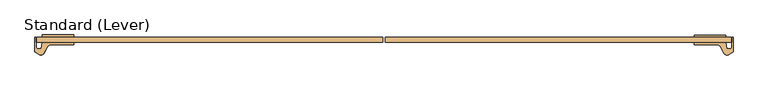
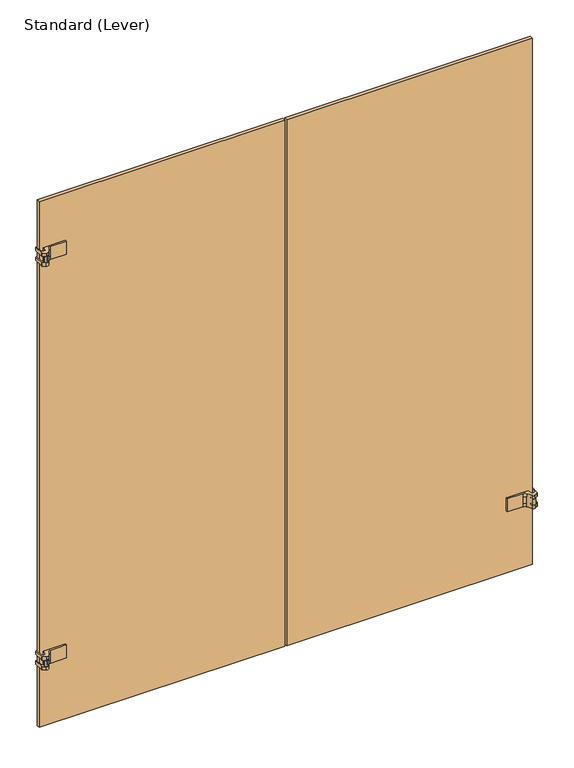
"""IFC4 building model written with IfcOpenShell, lengths in millimetres: door geometry, Standard (Lever)."""

from ifc_helpers import new_model, si_unit, frame, origin, place, context, project, spatial, polyline, circle_curve, outline, extrude, source, transform, mapped, element, save
from ifc_brep_helpers import plane_surface, cylinder_surface, revolved_surface, advanced_brep


def standard_lever_243bb52e(model_context):
    return source(origin(), model_context, "Body", "SolidModel", [
        advanced_brep(
        [(-1492.8453125, -23.0182831, 1879.6), (-1502.537, -23.0182831, 1879.6), (-1505.712, -19.8432831, 1879.6), (-1505.712, -6.710628, 1879.6), (-1507.71225, -5.5557831, 1879.6), (-1507.71225, 7.1442169, 1879.6), (-1509.7125, 7.1442169, 1879.6), (-1509.7125, -29.122696, 1879.6), (-1508.125, -31.8723266, 1879.6), (-1497.80625, -37.8298597, 1879.6), (-1486.9634234, -34.9245331, 1879.6), (-1477.3399856, -18.25625, 1879.6), (-1466.341463, -11.90625, 1879.6), (-1408.1125, -11.90625, 1879.6), (-1408.1125, -5.55625, 1879.6), (-1490.6625584, -5.55625, 1879.6), (-1492.8529743, -23.0795774, 1866.9), (-1486.9634234, -34.9245331, 1866.9), (-1497.80625, -37.8298597, 1866.9), (-1508.125, -31.8723266, 1866.9), (-1509.7125, -29.122696, 1866.9), (-1509.7125, 7.1442169, 1866.9), (-1507.71225, 7.1442169, 1866.9), (-1507.71225, -5.5557831, 1866.9), (-1505.712, -6.710628, 1866.9), (-1505.712, -19.8432831, 1866.9), (-1502.537, -23.0182831, 1866.9), (-1490.6625584, -5.55625, 1828.8), (-1492.8453125, -23.0182831, 1828.8), (-1492.8453125, -23.0182831, 1841.5), (-1492.8529743, -23.0795774, 1843.0875), (-1492.8529743, -23.0795774, 1865.3125), (-1408.1125, -5.55625, 1828.8), (-1408.1125, -11.90625, 1828.8), (-1466.341463, -11.90625, 1866.9), (-1466.341463, -11.90625, 1841.5), (-1466.341463, -11.90625, 1828.8), (-1477.3399856, -18.25625, 1866.9), (-1486.9634234, -34.9245331, 1865.3125), (-1486.9634234, -34.9245331, 1843.0875), (-1486.9634234, -34.9245331, 1841.5), (-1486.9634234, -34.9245331, 1828.8), (-1477.3399856, -18.25625, 1828.8), (-1477.3399856, -18.25625, 1841.5), (-1485.9, -30.9557831, 1865.3125), (-1485.9, -30.9557831, 1843.0875), (-1502.537, -23.0182831, 1841.5), (-1505.712, -19.8432831, 1841.5), (-1505.712, -6.710628, 1841.5), (-1507.71225, -5.5557831, 1841.5), (-1507.71225, 7.1442169, 1841.5), (-1509.7125, 7.1442169, 1841.5), (-1509.7125, -29.122696, 1841.5), (-1508.125, -31.8723266, 1841.5), (-1497.80625, -37.8298597, 1841.5), (-1497.80625, -37.8298597, 1828.8), (-1508.125, -31.8723266, 1828.8), (-1509.7125, -29.122696, 1828.8), (-1509.7125, 7.1442169, 1828.8), (-1507.71225, 7.1442169, 1828.8), (-1507.71225, -5.5557831, 1828.8), (-1505.712, -6.710628, 1828.8), (-1505.712, -19.8432831, 1828.8), (-1502.537, -23.0182831, 1828.8), (-1501.775, -30.9557831, 1865.3125), (-1497.0125, -30.9557831, 1865.3125), (-1490.6625, -30.9557831, 1865.3125), (-1501.775, -30.9557831, 1843.0875), (-1497.0125, -30.9557831, 1843.0875), (-1490.6625, -30.9557831, 1843.0875)],
        [
            (0, 1),
            (1, 2, circle_curve(frame((-1502.537, -19.8432831, 1879.6), z_axis=(0.0, 0.0, -1.0), x_axis=(-1.0, 0.0, 0.0)), 3.175)),
            (2, 3),
            (3, 4),
            (4, 5),
            (5, 6),
            (6, 7),
            (7, 8, circle_curve(frame((-1506.5375, -29.122696, 1879.6), z_axis=(0.0, 0.0, 1.0), x_axis=(-0.5000000000000575, -0.8660254037844055, 0.0)), 3.175)),
            (8, 9),
            (9, 10, circle_curve(frame((-1493.8375, -30.9557831, 1879.6), z_axis=(0.0, 0.0, 1.0), x_axis=(0.0, 1.0, 0.0)), 7.9375)),
            (10, 11),
            (11, 12, circle_curve(frame((-1466.341463, -24.60625, 1879.6), z_axis=(0.0, 0.0, -1.0), x_axis=(0.0, 1.0, 0.0)), 12.7)),
            (12, 13),
            (13, 14),
            (14, 15),
            (15, 0),
            (16, 17, circle_curve(frame((-1493.8375, -30.9557831, 1866.9), z_axis=(0.0, 0.0, -1.0), x_axis=(0.0, 1.0, 0.0)), 7.9375)),
            (17, 18, circle_curve(frame((-1493.8375, -30.9557831, 1866.9), z_axis=(0.0, 0.0, -1.0), x_axis=(0.0, 1.0, 0.0)), 7.9375)),
            (18, 19),
            (19, 20, circle_curve(frame((-1506.5375, -29.122696, 1866.9), z_axis=(0.0, 0.0, -1.0), x_axis=(-0.5000000000000575, -0.8660254037844055, 0.0)), 3.175)),
            (20, 21),
            (21, 22),
            (22, 23),
            (23, 24),
            (24, 25),
            (25, 26, circle_curve(frame((-1502.537, -19.8432831, 1866.9), z_axis=(0.0, 0.0, 1.0), x_axis=(-1.0, 0.0, 0.0)), 3.175)),
            (26, 16),
            (8, 19),
            (18, 9),
            (7, 20),
            (6, 21),
            (5, 22),
            (4, 23),
            (3, 24),
            (2, 25),
            (1, 26),
            (0, 16),
            (15, 27),
            (27, 28),
            (28, 29),
            (29, 30),
            (30, 31),
            (31, 16),
            (14, 32),
            (32, 27),
            (13, 33),
            (33, 32),
            (12, 34),
            (34, 35),
            (35, 36),
            (36, 33),
            (11, 37),
            (37, 34, circle_curve(frame((-1466.341463, -24.60625, 1866.9), z_axis=(0.0, 0.0, -1.0), x_axis=(0.0, 1.0, 0.0)), 12.7)),
            (10, 17),
            (17, 38),
            (38, 39),
            (39, 40),
            (40, 41),
            (41, 42),
            (42, 43),
            (43, 37),
            (43, 35, circle_curve(frame((-1466.341463, -24.60625, 1841.5), z_axis=(0.0, 0.0, -1.0), x_axis=(0.0, 1.0, 0.0)), 12.7)),
            (31, 44, circle_curve(frame((-1493.8375, -30.9557831, 1865.3125), z_axis=(0.0, 0.0, -1.0), x_axis=(0.0, 1.0, 0.0)), 7.9375)),
            (44, 38, circle_curve(frame((-1493.8375, -30.9557831, 1865.3125), z_axis=(0.0, 0.0, -1.0), x_axis=(0.0, 1.0, 0.0)), 7.9375)),
            (39, 45, circle_curve(frame((-1493.8375, -30.9557831, 1843.0875), z_axis=(0.0, 0.0, 1.0), x_axis=(0.0, 1.0, 0.0)), 7.9375)),
            (45, 30, circle_curve(frame((-1493.8375, -30.9557831, 1843.0875), z_axis=(0.0, 0.0, 1.0), x_axis=(0.0, 1.0, 0.0)), 7.9375)),
            (29, 40, circle_curve(frame((-1493.8375, -30.9557831, 1841.5), z_axis=(0.0, 0.0, -1.0), x_axis=(0.0, 1.0, 0.0)), 7.9375)),
            (29, 46),
            (46, 47, circle_curve(frame((-1502.537, -19.8432831, 1841.5), z_axis=(0.0, 0.0, -1.0), x_axis=(-1.0, 0.0, 0.0)), 3.175)),
            (47, 48),
            (48, 49),
            (49, 50),
            (50, 51),
            (51, 52),
            (52, 53, circle_curve(frame((-1506.5375, -29.122696, 1841.5), z_axis=(0.0, 0.0, 1.0), x_axis=(-0.5000000000000575, -0.8660254037844055, 0.0)), 3.175)),
            (53, 54),
            (54, 40, circle_curve(frame((-1493.8375, -30.9557831, 1841.5), z_axis=(0.0, 0.0, 1.0), x_axis=(0.0, 1.0, 0.0)), 7.9375)),
            (36, 42, circle_curve(frame((-1466.341463, -24.60625, 1828.8), z_axis=(0.0, 0.0, 1.0), x_axis=(0.0, 1.0, 0.0)), 12.7)),
            (41, 55, circle_curve(frame((-1493.8375, -30.9557831, 1828.8), z_axis=(0.0, 0.0, -1.0), x_axis=(0.0, 1.0, 0.0)), 7.9375)),
            (55, 56),
            (56, 57, circle_curve(frame((-1506.5375, -29.122696, 1828.8), z_axis=(0.0, 0.0, -1.0), x_axis=(-0.5000000000000575, -0.8660254037844055, 0.0)), 3.175)),
            (57, 58),
            (58, 59),
            (59, 60),
            (60, 61),
            (61, 62),
            (62, 63, circle_curve(frame((-1502.537, -19.8432831, 1828.8), z_axis=(0.0, 0.0, 1.0), x_axis=(-1.0, 0.0, 0.0)), 3.175)),
            (63, 28),
            (54, 55),
            (53, 56),
            (52, 57),
            (51, 58),
            (50, 59),
            (49, 60),
            (48, 61),
            (47, 62),
            (46, 63),
            (64, 38, circle_curve(frame((-1493.8375, -30.9557831, 1865.3125), z_axis=(0.0, 0.0, 1.0), x_axis=(1.0, 0.0, 0.0)), 7.9375)),
            (31, 64, circle_curve(frame((-1493.8375, -30.9557831, 1865.3125), z_axis=(0.0, 0.0, 1.0), x_axis=(1.0, 0.0, 0.0)), 7.9375)),
            (65, 66, circle_curve(frame((-1493.8375, -30.9557831, 1865.3125), z_axis=(0.0, 0.0, -1.0), x_axis=(1.0, 0.0, 0.0)), 3.175)),
            (66, 65, circle_curve(frame((-1493.8375, -30.9557831, 1865.3125), z_axis=(0.0, 0.0, -1.0), x_axis=(1.0, 0.0, 0.0)), 3.175)),
            (39, 67, circle_curve(frame((-1493.8375, -30.9557831, 1843.0875), z_axis=(0.0, 0.0, -1.0), x_axis=(1.0, 0.0, 0.0)), 7.9375)),
            (67, 30, circle_curve(frame((-1493.8375, -30.9557831, 1843.0875), z_axis=(0.0, 0.0, -1.0), x_axis=(1.0, 0.0, 0.0)), 7.9375)),
            (68, 69, circle_curve(frame((-1493.8375, -30.9557831, 1843.0875), z_axis=(0.0, 0.0, 1.0), x_axis=(1.0, 0.0, 0.0)), 3.175)),
            (69, 68, circle_curve(frame((-1493.8375, -30.9557831, 1843.0875), z_axis=(0.0, 0.0, 1.0), x_axis=(1.0, 0.0, 0.0)), 3.175)),
            (66, 69),
            (68, 65),
            (67, 64),
        ],
        [
            plane_surface(frame((-1492.8453125, -23.0182831, 1879.6), z_axis=(0.0, 0.0, 1.0), x_axis=(0.12403473458190235, 0.9922778767145809, 0.0))),
            plane_surface(frame((-1492.8453125, -23.0182831, 1866.9), z_axis=(0.0, 0.0, -1.0), x_axis=(-0.12403473458190235, -0.9922778767145809, 0.0))),
            plane_surface(frame((-1497.80625, -37.8298597, 1879.6), z_axis=(-0.5000000000001321, -0.8660254037843624, 0.0), x_axis=(0.0, 0.0, -1.0))),
            cylinder_surface(frame((-1506.5375, -29.122696, 1866.9), z_axis=(0.0, 0.0, 1.0), x_axis=(-0.5000000000000575, -0.8660254037844055, 0.0)), 3.175),
            plane_surface(frame((-1509.7125, -29.122696, 1879.6), z_axis=(-1.0, 0.0, 0.0), x_axis=(0.0, 0.0, -1.0))),
            plane_surface(frame((-1509.7125, 7.1442169, 1879.6), z_axis=(0.0, 1.0, 0.0), x_axis=(0.0, 0.0, -1.0))),
            plane_surface(frame((-1507.71225, 7.1442169, 1879.6), z_axis=(1.0, 0.0, 0.0), x_axis=(0.0, 0.0, -1.0))),
            plane_surface(frame((-1507.71225, -5.5557831, 1879.6), z_axis=(0.4999999999997088, 0.8660254037846068, 0.0), x_axis=(0.0, 0.0, -1.0))),
            plane_surface(frame((-1505.712, -6.710628, 1879.6), z_axis=(1.0, 0.0, 0.0), x_axis=(0.0, 0.0, -1.0))),
            revolved_surface(polyline([(-1505.712, -19.8432831, 1866.9), (-1505.712, -19.8432831, 1879.6)]), (-1502.537, -19.8432831, 1866.9), (0.0, 0.0, -1.0)),
            plane_surface(frame((-1502.537, -23.0182831, 1879.6), z_axis=(0.0, 1.0, 0.0), x_axis=(0.0, 0.0, -1.0))),
            plane_surface(frame((-1492.8453125, -23.0182831, 1879.6), z_axis=(-0.9922778767145809, 0.12403473458190235, 0.0), x_axis=(0.0, 0.0, -1.0))),
            plane_surface(frame((-1490.6625584, -5.55625, 1879.6), z_axis=(0.0, 1.0, 0.0), x_axis=(0.0, 0.0, -1.0))),
            plane_surface(frame((-1408.1125, -5.55625, 1879.6), z_axis=(1.0, 0.0, 0.0), x_axis=(0.0, 0.0, -1.0))),
            plane_surface(frame((-1408.1125, -11.90625, 1879.6), z_axis=(0.0, -1.0, 0.0), x_axis=(0.0, 0.0, -1.0))),
            revolved_surface(polyline([(-1466.341463, -11.90625, 1866.9), (-1466.341463, -11.90625, 1879.6)]), (-1466.341463, -24.60625, 1866.9), (0.0, 0.0, -1.0)),
            plane_surface(frame((-1477.3399856, -18.25625, 1879.6), z_axis=(0.8660254037845987, -0.49999999999972294, 0.0), x_axis=(0.0, 0.0, -1.0))),
            cylinder_surface(frame((-1493.8375, -30.9557831, 1866.9), z_axis=(0.0, 0.0, 1.0), x_axis=(0.0, 1.0, 0.0)), 7.9375),
            revolved_surface(polyline([(-1466.341463, -11.90625, 1841.5), (-1466.341463, -11.90625, 1866.9)]), (-1466.341463, -24.60625, 1841.5), (0.0, 0.0, -1.0)),
            revolved_surface(polyline([(-1493.8375, -23.0182831, 1865.3125), (-1493.8375, -23.0182831, 1866.9)]), (-1493.8375, -30.9557831, 1841.5), (0.0, 0.0, -1.0)),
            revolved_surface(polyline([(-1493.8375, -23.0182831, 1841.5), (-1493.8375, -23.0182831, 1843.0875)]), (-1493.8375, -30.9557831, 1841.5), (0.0, 0.0, -1.0)),
            plane_surface(frame((-1492.8529743, -23.0795774, 1841.5), z_axis=(0.0, 0.0, 1.0), x_axis=(0.1240347345819024, 0.9922778767145809, 0.0))),
            plane_surface(frame((-1492.8529743, -23.0795774, 1828.8), z_axis=(0.0, 0.0, -1.0), x_axis=(-0.1240347345819024, -0.9922778767145809, 0.0))),
            cylinder_surface(frame((-1493.8375, -30.9557831, 1828.8), z_axis=(0.0, 0.0, 1.0), x_axis=(0.0, 1.0, 0.0)), 7.9375),
            plane_surface(frame((-1497.80625, -37.8298597, 1841.5), z_axis=(-0.500000000000132, -0.8660254037843624, 0.0), x_axis=(0.0, 0.0, -1.0))),
            cylinder_surface(frame((-1506.5375, -29.122696, 1828.8), z_axis=(0.0, 0.0, 1.0), x_axis=(-0.5000000000000575, -0.8660254037844055, 0.0)), 3.175),
            plane_surface(frame((-1509.7125, -29.122696, 1841.5), z_axis=(-1.0, 0.0, 0.0), x_axis=(0.0, 0.0, -1.0))),
            plane_surface(frame((-1509.7125, 7.1442169, 1841.5), z_axis=(0.0, 1.0, 0.0), x_axis=(0.0, 0.0, -1.0))),
            plane_surface(frame((-1507.71225, 7.1442169, 1841.5), z_axis=(1.0, 0.0, 0.0), x_axis=(0.0, 0.0, -1.0))),
            plane_surface(frame((-1507.71225, -5.5557831, 1841.5), z_axis=(0.4999999999997088, 0.8660254037846068, 0.0), x_axis=(0.0, 0.0, -1.0))),
            plane_surface(frame((-1505.712, -6.710628, 1841.5), z_axis=(1.0, 0.0, 0.0), x_axis=(0.0, 0.0, -1.0))),
            revolved_surface(polyline([(-1505.712, -19.8432831, 1828.8), (-1505.712, -19.8432831, 1841.5)]), (-1502.537, -19.8432831, 1828.8), (0.0, 0.0, -1.0)),
            plane_surface(frame((-1502.537, -23.0182831, 1841.5), z_axis=(0.0, 1.0, 0.0), x_axis=(0.0, 0.0, -1.0))),
            revolved_surface(polyline([(-1466.341463, -11.90625, 1828.8), (-1466.341463, -11.90625, 1841.5)]), (-1466.341463, -24.60625, 1828.8), (0.0, 0.0, -1.0)),
            plane_surface(frame((-1490.6625, -30.9557831, 1865.3125), z_axis=(0.0, 0.0, 1.0), x_axis=(0.0, 1.0, 0.0))),
            plane_surface(frame((-1490.6625, -30.9557831, 1843.0875), z_axis=(0.0, 0.0, -1.0), x_axis=(0.0, -1.0, 0.0))),
            revolved_surface(polyline([(-1490.6625000000001, -30.9557831, 1843.0875), (-1490.6625000000001, -30.9557831, 1865.3125)]), (-1493.8375, -30.9557831, 1843.0875), (0.0, 0.0, -1.0)),
            cylinder_surface(frame((-1493.8375, -30.9557831, 1828.8), z_axis=(0.0, 0.0, 1.0), x_axis=(1.0, 0.0, 0.0)), 7.9375),
        ],
        [
            (0, [[1, 2, 3, 4, 5, 6, 7, 8, 9, 10, 11, 12, 13, 14, 15, 16]]),
            (1, [[17, 18, 19, 20, 21, 22, 23, 24, 25, 26, 27]]),
            (2, [[28, -19, 29, -9]]),
            (3, [[30, -20, -28, -8]]),
            (4, [[31, -21, -30, -7]]),
            (5, [[32, -22, -31, -6]]),
            (6, [[33, -23, -32, -5]]),
            (7, [[34, -24, -33, -4]]),
            (8, [[35, -25, -34, -3]]),
            (9, [[36, -26, -35, -2]]),
            (10, [[37, -27, -36, -1]]),
            (11, [[38, 39, 40, 41, 42, 43, -37, -16]]),
            (12, [[44, 45, -38, -15]]),
            (13, [[46, 47, -44, -14]]),
            (14, [[48, 49, 50, 51, -46, -13]]),
            (15, [[52, 53, -48, -12]]),
            (16, [[54, 55, 56, 57, 58, 59, 60, 61, -52, -11]]),
            (17, [[-29, -18, -54, -10]]),
            (18, [[-53, -61, 62, -49]]),
            (19, [[-43, 63, 64, -55, -17]]),
            (20, [[-57, 65, 66, -41, 67]]),
            (21, [[-67, 68, 69, 70, 71, 72, 73, 74, 75, 76, 77]]),
            (22, [[-39, -45, -47, -51, 78, -59, 79, 80, 81, 82, 83, 84, 85, 86, 87, 88]]),
            (23, [[89, -79, -58, -77]]),
            (24, [[90, -80, -89, -76]]),
            (25, [[91, -81, -90, -75]]),
            (26, [[92, -82, -91, -74]]),
            (27, [[93, -83, -92, -73]]),
            (28, [[94, -84, -93, -72]]),
            (29, [[95, -85, -94, -71]]),
            (30, [[96, -86, -95, -70]]),
            (31, [[97, -87, -96, -69]]),
            (32, [[-40, -88, -97, -68]]),
            (33, [[-50, -62, -60, -78]]),
            (34, [[98, -64, -63, 99], [100, 101]]),
            (35, [[-66, -65, 102, 103], [104, 105]]),
            (36, [[106, -104, 107, -101]]),
            (36, [[-107, -105, -106, -100]]),
            (37, [[-99, -42, -103, 108]]),
            (37, [[-102, -56, -98, -108]]),
        ],
    ),
        extrude(outline(polyline([(-1408.1125, 13.49375), (-1408.1125, 7.14375), (-1490.6625, 7.14375), (-1490.6625, 13.49375), (-1408.1125, 13.49375)])), frame((0.0, 0.0, 1828.8), z_axis=(0.0, 0.0, 1.0), x_axis=(1.0, 0.0, 0.0)), (0.0, 0.0, 1.0), 50.8),
        advanced_brep(
        [(302.2203125, -23.0182831, 304.8), (300.0375584, -5.55625, 304.8), (217.4875, -5.55625, 304.8), (217.4875, -11.90625, 304.8), (275.716463, -11.90625, 304.8), (286.7149856, -18.25625, 304.8), (296.3384234, -34.9245331, 304.8), (307.18125, -37.8298597, 304.8), (317.5, -31.8723266, 304.8), (319.0875, -29.122696, 304.8), (319.0875, 7.1442169, 304.8), (317.08725, 7.1442169, 304.8), (317.08725, -5.5557831, 304.8), (315.087, -6.710628, 304.8), (315.087, -19.8432831, 304.8), (311.912, -23.0182831, 304.8), (302.2203125, -23.0182831, 292.1), (311.912, -23.0182831, 292.1), (315.087, -19.8432831, 292.1), (315.087, -6.710628, 292.1), (317.08725, -5.5557831, 292.1), (317.08725, 7.1442169, 292.1), (319.0875, 7.1442169, 292.1), (319.0875, -29.122696, 292.1), (317.5, -31.8723266, 292.1), (307.18125, -37.8298597, 292.1), (296.3384234, -34.9245331, 292.1), (302.2279743, -23.0795774, 290.5125), (302.2279743, -23.0795774, 268.2875), (302.2279743, -23.0795774, 266.7), (302.2203125, -23.0182831, 254.0), (300.0375584, -5.55625, 254.0), (217.4875, -5.55625, 254.0), (217.4875, -11.90625, 254.0), (275.716463, -11.90625, 254.0), (275.716463, -11.90625, 266.7), (275.716463, -11.90625, 292.1), (286.7149856, -18.25625, 292.1), (286.7149856, -18.25625, 266.7), (286.7149856, -18.25625, 254.0), (296.3384234, -34.9245331, 254.0), (296.3384234, -34.9245331, 266.7), (296.3384234, -34.9245331, 268.2875), (296.3384234, -34.9245331, 290.5125), (295.275, -30.9557831, 290.5125), (295.275, -30.9557831, 268.2875), (307.18125, -37.8298597, 266.7), (317.5, -31.8723266, 266.7), (319.0875, -29.122696, 266.7), (319.0875, 7.1442169, 266.7), (317.08725, 7.1442169, 266.7), (317.08725, -5.5557831, 266.7), (315.087, -6.710628, 266.7), (315.087, -19.8432831, 266.7), (311.912, -23.0182831, 266.7), (311.912, -23.0182831, 254.0), (315.087, -19.8432831, 254.0), (315.087, -6.710628, 254.0), (317.08725, -5.5557831, 254.0), (317.08725, 7.1442169, 254.0), (319.0875, 7.1442169, 254.0), (319.0875, -29.122696, 254.0), (317.5, -31.8723266, 254.0), (307.18125, -37.8298597, 254.0), (311.15, -30.9557831, 290.5125), (306.3875, -30.9557831, 290.5125), (300.0375, -30.9557831, 290.5125), (311.15, -30.9557831, 268.2875), (306.3875, -30.9557831, 268.2875), (300.0375, -30.9557831, 268.2875)],
        [
            (0, 1),
            (1, 2),
            (2, 3),
            (3, 4),
            (4, 5, circle_curve(frame((275.716463, -24.60625, 304.8), z_axis=(0.0, 0.0, -1.0), x_axis=(0.0, 1.0, 0.0)), 12.7)),
            (5, 6),
            (6, 7, circle_curve(frame((303.2125, -30.9557831, 304.8), z_axis=(0.0, 0.0, 1.0), x_axis=(0.0, 1.0, 0.0)), 7.9375)),
            (7, 8),
            (8, 9, circle_curve(frame((315.9125, -29.122696, 304.8), z_axis=(0.0, 0.0, 1.0), x_axis=(0.5000000000000575, -0.8660254037844055, 0.0)), 3.175)),
            (9, 10),
            (10, 11),
            (11, 12),
            (12, 13),
            (13, 14),
            (14, 15, circle_curve(frame((311.912, -19.8432831, 304.8), z_axis=(0.0, 0.0, -1.0), x_axis=(1.0, 0.0, 0.0)), 3.175)),
            (15, 0),
            (16, 17),
            (17, 18, circle_curve(frame((311.912, -19.8432831, 292.1), z_axis=(0.0, 0.0, 1.0), x_axis=(1.0, 0.0, 0.0)), 3.175)),
            (18, 19),
            (19, 20),
            (20, 21),
            (21, 22),
            (22, 23),
            (23, 24, circle_curve(frame((315.9125, -29.122696, 292.1), z_axis=(0.0, 0.0, -1.0), x_axis=(0.5000000000000575, -0.8660254037844055, 0.0)), 3.175)),
            (24, 25),
            (25, 26, circle_curve(frame((303.2125, -30.9557831, 292.1), z_axis=(0.0, 0.0, -1.0), x_axis=(0.0, 1.0, 0.0)), 7.9375)),
            (26, 16, circle_curve(frame((303.2125, -30.9557831, 292.1), z_axis=(0.0, 0.0, -1.0), x_axis=(0.0, 1.0, 0.0)), 7.9375)),
            (7, 25),
            (24, 8),
            (23, 9),
            (22, 10),
            (21, 11),
            (20, 12),
            (19, 13),
            (18, 14),
            (17, 15),
            (16, 0),
            (16, 27),
            (27, 28),
            (28, 29),
            (29, 30),
            (30, 31),
            (31, 1),
            (31, 32),
            (32, 2),
            (32, 33),
            (33, 3),
            (33, 34),
            (34, 35),
            (35, 36),
            (36, 4),
            (36, 37, circle_curve(frame((275.716463, -24.60625, 292.1), z_axis=(0.0, 0.0, -1.0), x_axis=(0.0, 1.0, 0.0)), 12.7)),
            (37, 5),
            (37, 38),
            (38, 39),
            (39, 40),
            (40, 41),
            (41, 42),
            (42, 43),
            (43, 26),
            (26, 6),
            (35, 38, circle_curve(frame((275.716463, -24.60625, 266.7), z_axis=(0.0, 0.0, -1.0), x_axis=(0.0, 1.0, 0.0)), 12.7)),
            (43, 44, circle_curve(frame((303.2125, -30.9557831, 290.5125), z_axis=(0.0, 0.0, -1.0), x_axis=(0.0, 1.0, 0.0)), 7.9375)),
            (44, 27, circle_curve(frame((303.2125, -30.9557831, 290.5125), z_axis=(0.0, 0.0, -1.0), x_axis=(0.0, 1.0, 0.0)), 7.9375)),
            (41, 29, circle_curve(frame((303.2125, -30.9557831, 266.7), z_axis=(0.0, 0.0, -1.0), x_axis=(0.0, 1.0, 0.0)), 7.9375)),
            (28, 45, circle_curve(frame((303.2125, -30.9557831, 268.2875), z_axis=(0.0, 0.0, 1.0), x_axis=(0.0, 1.0, 0.0)), 7.9375)),
            (45, 42, circle_curve(frame((303.2125, -30.9557831, 268.2875), z_axis=(0.0, 0.0, 1.0), x_axis=(0.0, 1.0, 0.0)), 7.9375)),
            (41, 46, circle_curve(frame((303.2125, -30.9557831, 266.7), z_axis=(0.0, 0.0, 1.0), x_axis=(0.0, 1.0, 0.0)), 7.9375)),
            (46, 47),
            (47, 48, circle_curve(frame((315.9125, -29.122696, 266.7), z_axis=(0.0, 0.0, 1.0), x_axis=(0.5000000000000575, -0.8660254037844055, 0.0)), 3.175)),
            (48, 49),
            (49, 50),
            (50, 51),
            (51, 52),
            (52, 53),
            (53, 54, circle_curve(frame((311.912, -19.8432831, 266.7), z_axis=(0.0, 0.0, -1.0), x_axis=(1.0, 0.0, 0.0)), 3.175)),
            (54, 29),
            (30, 55),
            (55, 56, circle_curve(frame((311.912, -19.8432831, 254.0), z_axis=(0.0, 0.0, 1.0), x_axis=(1.0, 0.0, 0.0)), 3.175)),
            (56, 57),
            (57, 58),
            (58, 59),
            (59, 60),
            (60, 61),
            (61, 62, circle_curve(frame((315.9125, -29.122696, 254.0), z_axis=(0.0, 0.0, -1.0), x_axis=(0.5000000000000575, -0.8660254037844055, 0.0)), 3.175)),
            (62, 63),
            (63, 40, circle_curve(frame((303.2125, -30.9557831, 254.0), z_axis=(0.0, 0.0, -1.0), x_axis=(0.0, 1.0, 0.0)), 7.9375)),
            (39, 34, circle_curve(frame((275.716463, -24.60625, 254.0), z_axis=(0.0, 0.0, 1.0), x_axis=(0.0, 1.0, 0.0)), 12.7)),
            (63, 46),
            (62, 47),
            (61, 48),
            (60, 49),
            (59, 50),
            (58, 51),
            (57, 52),
            (56, 53),
            (55, 54),
            (64, 27, circle_curve(frame((303.2125, -30.9557831, 290.5125), z_axis=(0.0, 0.0, 1.0), x_axis=(-1.0, 0.0, 0.0)), 7.9375)),
            (43, 64, circle_curve(frame((303.2125, -30.9557831, 290.5125), z_axis=(0.0, 0.0, 1.0), x_axis=(-1.0, 0.0, 0.0)), 7.9375)),
            (65, 66, circle_curve(frame((303.2125, -30.9557831, 290.5125), z_axis=(0.0, 0.0, -1.0), x_axis=(-1.0, 0.0, 0.0)), 3.175)),
            (66, 65, circle_curve(frame((303.2125, -30.9557831, 290.5125), z_axis=(0.0, 0.0, -1.0), x_axis=(-1.0, 0.0, 0.0)), 3.175)),
            (28, 67, circle_curve(frame((303.2125, -30.9557831, 268.2875), z_axis=(0.0, 0.0, -1.0), x_axis=(-1.0, 0.0, 0.0)), 7.9375)),
            (67, 42, circle_curve(frame((303.2125, -30.9557831, 268.2875), z_axis=(0.0, 0.0, -1.0), x_axis=(-1.0, 0.0, 0.0)), 7.9375)),
            (68, 69, circle_curve(frame((303.2125, -30.9557831, 268.2875), z_axis=(0.0, 0.0, 1.0), x_axis=(-1.0, 0.0, 0.0)), 3.175)),
            (69, 68, circle_curve(frame((303.2125, -30.9557831, 268.2875), z_axis=(0.0, 0.0, 1.0), x_axis=(-1.0, 0.0, 0.0)), 3.175)),
            (65, 68),
            (69, 66),
            (64, 67),
        ],
        [
            plane_surface(frame((302.2203125, -23.0182831, 304.8), z_axis=(0.0, 0.0, 1.0), x_axis=(-0.12403473458190235, 0.9922778767145809, 0.0))),
            plane_surface(frame((302.2203125, -23.0182831, 292.1), z_axis=(0.0, 0.0, -1.0), x_axis=(0.12403473458190235, -0.9922778767145809, 0.0))),
            plane_surface(frame((307.18125, -37.8298597, 304.8), z_axis=(0.5000000000001321, -0.8660254037843624, 0.0), x_axis=(0.0, 0.0, -1.0))),
            cylinder_surface(frame((315.9125, -29.122696, 292.1), z_axis=(0.0, 0.0, 1.0), x_axis=(0.5000000000000575, -0.8660254037844055, 0.0)), 3.175),
            plane_surface(frame((319.0875, -29.122696, 304.8), z_axis=(1.0, 0.0, 0.0), x_axis=(0.0, 0.0, -1.0))),
            plane_surface(frame((319.0875, 7.1442169, 304.8), z_axis=(0.0, 1.0, 0.0), x_axis=(0.0, 0.0, -1.0))),
            plane_surface(frame((317.08725, 7.1442169, 304.8), z_axis=(-1.0, 0.0, 0.0), x_axis=(0.0, 0.0, -1.0))),
            plane_surface(frame((317.08725, -5.5557831, 304.8), z_axis=(-0.4999999999997088, 0.8660254037846068, 0.0), x_axis=(0.0, 0.0, -1.0))),
            plane_surface(frame((315.087, -6.710628, 304.8), z_axis=(-1.0, 0.0, 0.0), x_axis=(0.0, 0.0, -1.0))),
            revolved_surface(polyline([(315.087, -19.8432831, 292.1), (315.087, -19.8432831, 304.8)]), (311.912, -19.8432831, 292.1), (0.0, 0.0, -1.0)),
            plane_surface(frame((311.912, -23.0182831, 304.8), z_axis=(0.0, 1.0, 0.0), x_axis=(0.0, 0.0, -1.0))),
            plane_surface(frame((302.2203125, -23.0182831, 304.8), z_axis=(0.9922778767145809, 0.12403473458190235, 0.0), x_axis=(0.0, 0.0, -1.0))),
            plane_surface(frame((300.0375584, -5.55625, 304.8), z_axis=(0.0, 1.0, 0.0), x_axis=(0.0, 0.0, -1.0))),
            plane_surface(frame((217.4875, -5.55625, 304.8), z_axis=(-1.0, 0.0, 0.0), x_axis=(0.0, 0.0, -1.0))),
            plane_surface(frame((217.4875, -11.90625, 304.8), z_axis=(0.0, -1.0, 0.0), x_axis=(0.0, 0.0, -1.0))),
            revolved_surface(polyline([(275.716463, -11.90625, 292.1), (275.716463, -11.90625, 304.8)]), (275.716463, -24.60625, 292.1), (0.0, 0.0, -1.0)),
            plane_surface(frame((286.7149856, -18.25625, 304.8), z_axis=(-0.8660254037845987, -0.49999999999972294, 0.0), x_axis=(0.0, 0.0, -1.0))),
            cylinder_surface(frame((303.2125, -30.9557831, 292.1), z_axis=(0.0, 0.0, 1.0), x_axis=(0.0, 1.0, 0.0)), 7.9375),
            revolved_surface(polyline([(275.716463, -11.90625, 266.7), (275.716463, -11.90625, 292.1)]), (275.716463, -24.60625, 266.7), (0.0, 0.0, -1.0)),
            revolved_surface(polyline([(303.2125, -23.0182831, 290.5125), (303.2125, -23.0182831, 292.1)]), (303.2125, -30.9557831, 266.7), (0.0, 0.0, -1.0)),
            revolved_surface(polyline([(303.2125, -23.0182831, 266.7), (303.2125, -23.0182831, 268.2875)]), (303.2125, -30.9557831, 266.7), (0.0, 0.0, -1.0)),
            plane_surface(frame((302.2279743, -23.0795774, 266.7), z_axis=(0.0, 0.0, 1.0), x_axis=(-0.1240347345819024, 0.9922778767145809, 0.0))),
            plane_surface(frame((302.2279743, -23.0795774, 254.0), z_axis=(0.0, 0.0, -1.0), x_axis=(0.1240347345819024, -0.9922778767145809, 0.0))),
            cylinder_surface(frame((303.2125, -30.9557831, 254.0), z_axis=(0.0, 0.0, 1.0), x_axis=(0.0, 1.0, 0.0)), 7.9375),
            plane_surface(frame((307.18125, -37.8298597, 266.7), z_axis=(0.500000000000132, -0.8660254037843624, 0.0), x_axis=(0.0, 0.0, -1.0))),
            cylinder_surface(frame((315.9125, -29.122696, 254.0), z_axis=(0.0, 0.0, 1.0), x_axis=(0.5000000000000575, -0.8660254037844055, 0.0)), 3.175),
            plane_surface(frame((319.0875, -29.122696, 266.7), z_axis=(1.0, 0.0, 0.0), x_axis=(0.0, 0.0, -1.0))),
            plane_surface(frame((319.0875, 7.1442169, 266.7), z_axis=(0.0, 1.0, 0.0), x_axis=(0.0, 0.0, -1.0))),
            plane_surface(frame((317.08725, 7.1442169, 266.7), z_axis=(-1.0, 0.0, 0.0), x_axis=(0.0, 0.0, -1.0))),
            plane_surface(frame((317.08725, -5.5557831, 266.7), z_axis=(-0.4999999999997088, 0.8660254037846068, 0.0), x_axis=(0.0, 0.0, -1.0))),
            plane_surface(frame((315.087, -6.710628, 266.7), z_axis=(-1.0, 0.0, 0.0), x_axis=(0.0, 0.0, -1.0))),
            revolved_surface(polyline([(315.087, -19.8432831, 254.0), (315.087, -19.8432831, 266.7)]), (311.912, -19.8432831, 254.0), (0.0, 0.0, -1.0)),
            plane_surface(frame((311.912, -23.0182831, 266.7), z_axis=(0.0, 1.0, 0.0), x_axis=(0.0, 0.0, -1.0))),
            revolved_surface(polyline([(275.716463, -11.90625, 254.0), (275.716463, -11.90625, 266.7)]), (275.716463, -24.60625, 254.0), (0.0, 0.0, -1.0)),
            plane_surface(frame((300.0375, -30.9557831, 290.5125), z_axis=(0.0, 0.0, 1.0), x_axis=(0.0, 1.0, 0.0))),
            plane_surface(frame((300.0375, -30.9557831, 268.2875), z_axis=(0.0, 0.0, -1.0), x_axis=(0.0, -1.0, 0.0))),
            revolved_surface(polyline([(300.03749999999997, -30.9557831, 268.2875), (300.03749999999997, -30.9557831, 290.5125)]), (303.2125, -30.9557831, 268.2875), (0.0, 0.0, -1.0)),
            cylinder_surface(frame((303.2125, -30.9557831, 254.0), z_axis=(0.0, 0.0, 1.0), x_axis=(-1.0, 0.0, 0.0)), 7.9375),
        ],
        [
            (0, [[1, 2, 3, 4, 5, 6, 7, 8, 9, 10, 11, 12, 13, 14, 15, 16]]),
            (1, [[17, 18, 19, 20, 21, 22, 23, 24, 25, 26, 27]]),
            (2, [[-8, 28, -25, 29]]),
            (3, [[-9, -29, -24, 30]]),
            (4, [[-10, -30, -23, 31]]),
            (5, [[-11, -31, -22, 32]]),
            (6, [[-12, -32, -21, 33]]),
            (7, [[-13, -33, -20, 34]]),
            (8, [[-14, -34, -19, 35]]),
            (9, [[-15, -35, -18, 36]]),
            (10, [[-16, -36, -17, 37]]),
            (11, [[-1, -37, 38, 39, 40, 41, 42, 43]]),
            (12, [[-2, -43, 44, 45]]),
            (13, [[-3, -45, 46, 47]]),
            (14, [[-4, -47, 48, 49, 50, 51]]),
            (15, [[-5, -51, 52, 53]]),
            (16, [[-6, -53, 54, 55, 56, 57, 58, 59, 60, 61]]),
            (17, [[-7, -61, -26, -28]]),
            (18, [[-50, 62, -54, -52]]),
            (19, [[-27, -60, 63, 64, -38]]),
            (20, [[65, -40, 66, 67, -58]]),
            (21, [[68, 69, 70, 71, 72, 73, 74, 75, 76, 77, -65]]),
            (22, [[78, 79, 80, 81, 82, 83, 84, 85, 86, 87, -56, 88, -48, -46, -44, -42]]),
            (23, [[-68, -57, -87, 89]]),
            (24, [[-69, -89, -86, 90]]),
            (25, [[-70, -90, -85, 91]]),
            (26, [[-71, -91, -84, 92]]),
            (27, [[-72, -92, -83, 93]]),
            (28, [[-73, -93, -82, 94]]),
            (29, [[-74, -94, -81, 95]]),
            (30, [[-75, -95, -80, 96]]),
            (31, [[-76, -96, -79, 97]]),
            (32, [[-77, -97, -78, -41]]),
            (33, [[-88, -55, -62, -49]]),
            (34, [[98, -64, -63, 99], [100, 101]]),
            (35, [[102, 103, -67, -66], [104, 105]]),
            (36, [[-100, 106, -105, 107]]),
            (36, [[-101, -107, -104, -106]]),
            (37, [[108, -102, -39, -98]]),
            (37, [[-108, -99, -59, -103]]),
        ],
    ),
        extrude(outline(polyline([(217.4875, 13.49375), (300.0375, 13.49375), (300.0375, 7.14375), (217.4875, 7.14375), (217.4875, 13.49375)])), frame((0.0, 0.0, 254.0), z_axis=(0.0, 0.0, 1.0), x_axis=(1.0, 0.0, 0.0)), (0.0, 0.0, 1.0), 50.8),
        advanced_brep(
        [(-1492.8453125, -23.0182831, 304.8), (-1502.537, -23.0182831, 304.8), (-1505.712, -19.8432831, 304.8), (-1505.712, -6.710628, 304.8), (-1507.71225, -5.5557831, 304.8), (-1507.71225, 7.1442169, 304.8), (-1509.7125, 7.1442169, 304.8), (-1509.7125, -29.122696, 304.8), (-1508.125, -31.8723266, 304.8), (-1497.80625, -37.8298597, 304.8), (-1486.9634234, -34.9245331, 304.8), (-1477.3399856, -18.25625, 304.8), (-1466.341463, -11.90625, 304.8), (-1408.1125, -11.90625, 304.8), (-1408.1125, -5.55625, 304.8), (-1490.6625584, -5.55625, 304.8), (-1492.8529743, -23.0795774, 292.1), (-1486.9634234, -34.9245331, 292.1), (-1497.80625, -37.8298597, 292.1), (-1508.125, -31.8723266, 292.1), (-1509.7125, -29.122696, 292.1), (-1509.7125, 7.1442169, 292.1), (-1507.71225, 7.1442169, 292.1), (-1507.71225, -5.5557831, 292.1), (-1505.712, -6.710628, 292.1), (-1505.712, -19.8432831, 292.1), (-1502.537, -23.0182831, 292.1), (-1490.6625584, -5.55625, 254.0), (-1492.8453125, -23.0182831, 254.0), (-1492.8453125, -23.0182831, 266.7), (-1492.8529743, -23.0795774, 268.2875), (-1492.8529743, -23.0795774, 290.5125), (-1408.1125, -5.55625, 254.0), (-1408.1125, -11.90625, 254.0), (-1466.341463, -11.90625, 292.1), (-1466.341463, -11.90625, 266.7), (-1466.341463, -11.90625, 254.0), (-1477.3399856, -18.25625, 292.1), (-1486.9634234, -34.9245331, 290.5125), (-1486.9634234, -34.9245331, 268.2875), (-1486.9634234, -34.9245331, 266.7), (-1486.9634234, -34.9245331, 254.0), (-1477.3399856, -18.25625, 254.0), (-1477.3399856, -18.25625, 266.7), (-1485.9, -30.9557831, 290.5125), (-1485.9, -30.9557831, 268.2875), (-1502.537, -23.0182831, 266.7), (-1505.712, -19.8432831, 266.7), (-1505.712, -6.710628, 266.7), (-1507.71225, -5.5557831, 266.7), (-1507.71225, 7.1442169, 266.7), (-1509.7125, 7.1442169, 266.7), (-1509.7125, -29.122696, 266.7), (-1508.125, -31.8723266, 266.7), (-1497.80625, -37.8298597, 266.7), (-1497.80625, -37.8298597, 254.0), (-1508.125, -31.8723266, 254.0), (-1509.7125, -29.122696, 254.0), (-1509.7125, 7.1442169, 254.0), (-1507.71225, 7.1442169, 254.0), (-1507.71225, -5.5557831, 254.0), (-1505.712, -6.710628, 254.0), (-1505.712, -19.8432831, 254.0), (-1502.537, -23.0182831, 254.0), (-1501.775, -30.9557831, 290.5125), (-1497.0125, -30.9557831, 290.5125), (-1490.6625, -30.9557831, 290.5125), (-1501.775, -30.9557831, 268.2875), (-1497.0125, -30.9557831, 268.2875), (-1490.6625, -30.9557831, 268.2875)],
        [
            (0, 1),
            (1, 2, circle_curve(frame((-1502.537, -19.8432831, 304.8), z_axis=(0.0, 0.0, -1.0), x_axis=(-1.0, 0.0, 0.0)), 3.175)),
            (2, 3),
            (3, 4),
            (4, 5),
            (5, 6),
            (6, 7),
            (7, 8, circle_curve(frame((-1506.5375, -29.122696, 304.8), z_axis=(0.0, 0.0, 1.0), x_axis=(-0.5000000000000575, -0.8660254037844055, 0.0)), 3.175)),
            (8, 9),
            (9, 10, circle_curve(frame((-1493.8375, -30.9557831, 304.8), z_axis=(0.0, 0.0, 1.0), x_axis=(0.0, 1.0, 0.0)), 7.9375)),
            (10, 11),
            (11, 12, circle_curve(frame((-1466.341463, -24.60625, 304.8), z_axis=(0.0, 0.0, -1.0), x_axis=(0.0, 1.0, 0.0)), 12.7)),
            (12, 13),
            (13, 14),
            (14, 15),
            (15, 0),
            (16, 17, circle_curve(frame((-1493.8375, -30.9557831, 292.1), z_axis=(0.0, 0.0, -1.0), x_axis=(0.0, 1.0, 0.0)), 7.9375)),
            (17, 18, circle_curve(frame((-1493.8375, -30.9557831, 292.1), z_axis=(0.0, 0.0, -1.0), x_axis=(0.0, 1.0, 0.0)), 7.9375)),
            (18, 19),
            (19, 20, circle_curve(frame((-1506.5375, -29.122696, 292.1), z_axis=(0.0, 0.0, -1.0), x_axis=(-0.5000000000000575, -0.8660254037844055, 0.0)), 3.175)),
            (20, 21),
            (21, 22),
            (22, 23),
            (23, 24),
            (24, 25),
            (25, 26, circle_curve(frame((-1502.537, -19.8432831, 292.1), z_axis=(0.0, 0.0, 1.0), x_axis=(-1.0, 0.0, 0.0)), 3.175)),
            (26, 16),
            (8, 19),
            (18, 9),
            (7, 20),
            (6, 21),
            (5, 22),
            (4, 23),
            (3, 24),
            (2, 25),
            (1, 26),
            (0, 16),
            (15, 27),
            (27, 28),
            (28, 29),
            (29, 30),
            (30, 31),
            (31, 16),
            (14, 32),
            (32, 27),
            (13, 33),
            (33, 32),
            (12, 34),
            (34, 35),
            (35, 36),
            (36, 33),
            (11, 37),
            (37, 34, circle_curve(frame((-1466.341463, -24.60625, 292.1), z_axis=(0.0, 0.0, -1.0), x_axis=(0.0, 1.0, 0.0)), 12.7)),
            (10, 17),
            (17, 38),
            (38, 39),
            (39, 40),
            (40, 41),
            (41, 42),
            (42, 43),
            (43, 37),
            (43, 35, circle_curve(frame((-1466.341463, -24.60625, 266.7), z_axis=(0.0, 0.0, -1.0), x_axis=(0.0, 1.0, 0.0)), 12.7)),
            (31, 44, circle_curve(frame((-1493.8375, -30.9557831, 290.5125), z_axis=(0.0, 0.0, -1.0), x_axis=(0.0, 1.0, 0.0)), 7.9375)),
            (44, 38, circle_curve(frame((-1493.8375, -30.9557831, 290.5125), z_axis=(0.0, 0.0, -1.0), x_axis=(0.0, 1.0, 0.0)), 7.9375)),
            (39, 45, circle_curve(frame((-1493.8375, -30.9557831, 268.2875), z_axis=(0.0, 0.0, 1.0), x_axis=(0.0, 1.0, 0.0)), 7.9375)),
            (45, 30, circle_curve(frame((-1493.8375, -30.9557831, 268.2875), z_axis=(0.0, 0.0, 1.0), x_axis=(0.0, 1.0, 0.0)), 7.9375)),
            (29, 40, circle_curve(frame((-1493.8375, -30.9557831, 266.7), z_axis=(0.0, 0.0, -1.0), x_axis=(0.0, 1.0, 0.0)), 7.9375)),
            (29, 46),
            (46, 47, circle_curve(frame((-1502.537, -19.8432831, 266.7), z_axis=(0.0, 0.0, -1.0), x_axis=(-1.0, 0.0, 0.0)), 3.175)),
            (47, 48),
            (48, 49),
            (49, 50),
            (50, 51),
            (51, 52),
            (52, 53, circle_curve(frame((-1506.5375, -29.122696, 266.7), z_axis=(0.0, 0.0, 1.0), x_axis=(-0.5000000000000575, -0.8660254037844055, 0.0)), 3.175)),
            (53, 54),
            (54, 40, circle_curve(frame((-1493.8375, -30.9557831, 266.7), z_axis=(0.0, 0.0, 1.0), x_axis=(0.0, 1.0, 0.0)), 7.9375)),
            (36, 42, circle_curve(frame((-1466.341463, -24.60625, 254.0), z_axis=(0.0, 0.0, 1.0), x_axis=(0.0, 1.0, 0.0)), 12.7)),
            (41, 55, circle_curve(frame((-1493.8375, -30.9557831, 254.0), z_axis=(0.0, 0.0, -1.0), x_axis=(0.0, 1.0, 0.0)), 7.9375)),
            (55, 56),
            (56, 57, circle_curve(frame((-1506.5375, -29.122696, 254.0), z_axis=(0.0, 0.0, -1.0), x_axis=(-0.5000000000000575, -0.8660254037844055, 0.0)), 3.175)),
            (57, 58),
            (58, 59),
            (59, 60),
            (60, 61),
            (61, 62),
            (62, 63, circle_curve(frame((-1502.537, -19.8432831, 254.0), z_axis=(0.0, 0.0, 1.0), x_axis=(-1.0, 0.0, 0.0)), 3.175)),
            (63, 28),
            (54, 55),
            (53, 56),
            (52, 57),
            (51, 58),
            (50, 59),
            (49, 60),
            (48, 61),
            (47, 62),
            (46, 63),
            (64, 38, circle_curve(frame((-1493.8375, -30.9557831, 290.5125), z_axis=(0.0, 0.0, 1.0), x_axis=(1.0, 0.0, 0.0)), 7.9375)),
            (31, 64, circle_curve(frame((-1493.8375, -30.9557831, 290.5125), z_axis=(0.0, 0.0, 1.0), x_axis=(1.0, 0.0, 0.0)), 7.9375)),
            (65, 66, circle_curve(frame((-1493.8375, -30.9557831, 290.5125), z_axis=(0.0, 0.0, -1.0), x_axis=(1.0, 0.0, 0.0)), 3.175)),
            (66, 65, circle_curve(frame((-1493.8375, -30.9557831, 290.5125), z_axis=(0.0, 0.0, -1.0), x_axis=(1.0, 0.0, 0.0)), 3.175)),
            (39, 67, circle_curve(frame((-1493.8375, -30.9557831, 268.2875), z_axis=(0.0, 0.0, -1.0), x_axis=(1.0, 0.0, 0.0)), 7.9375)),
            (67, 30, circle_curve(frame((-1493.8375, -30.9557831, 268.2875), z_axis=(0.0, 0.0, -1.0), x_axis=(1.0, 0.0, 0.0)), 7.9375)),
            (68, 69, circle_curve(frame((-1493.8375, -30.9557831, 268.2875), z_axis=(0.0, 0.0, 1.0), x_axis=(1.0, 0.0, 0.0)), 3.175)),
            (69, 68, circle_curve(frame((-1493.8375, -30.9557831, 268.2875), z_axis=(0.0, 0.0, 1.0), x_axis=(1.0, 0.0, 0.0)), 3.175)),
            (66, 69),
            (68, 65),
            (67, 64),
        ],
        [
            plane_surface(frame((-1492.8453125, -23.0182831, 304.8), z_axis=(0.0, 0.0, 1.0), x_axis=(0.12403473458190235, 0.9922778767145809, 0.0))),
            plane_surface(frame((-1492.8453125, -23.0182831, 292.1), z_axis=(0.0, 0.0, -1.0), x_axis=(-0.12403473458190235, -0.9922778767145809, 0.0))),
            plane_surface(frame((-1497.80625, -37.8298597, 304.8), z_axis=(-0.5000000000001321, -0.8660254037843624, 0.0), x_axis=(0.0, 0.0, -1.0))),
            cylinder_surface(frame((-1506.5375, -29.122696, 292.1), z_axis=(0.0, 0.0, 1.0), x_axis=(-0.5000000000000575, -0.8660254037844055, 0.0)), 3.175),
            plane_surface(frame((-1509.7125, -29.122696, 304.8), z_axis=(-1.0, 0.0, 0.0), x_axis=(0.0, 0.0, -1.0))),
            plane_surface(frame((-1509.7125, 7.1442169, 304.8), z_axis=(0.0, 1.0, 0.0), x_axis=(0.0, 0.0, -1.0))),
            plane_surface(frame((-1507.71225, 7.1442169, 304.8), z_axis=(1.0, 0.0, 0.0), x_axis=(0.0, 0.0, -1.0))),
            plane_surface(frame((-1507.71225, -5.5557831, 304.8), z_axis=(0.4999999999997088, 0.8660254037846068, 0.0), x_axis=(0.0, 0.0, -1.0))),
            plane_surface(frame((-1505.712, -6.710628, 304.8), z_axis=(1.0, 0.0, 0.0), x_axis=(0.0, 0.0, -1.0))),
            revolved_surface(polyline([(-1505.712, -19.8432831, 292.1), (-1505.712, -19.8432831, 304.8)]), (-1502.537, -19.8432831, 292.1), (0.0, 0.0, -1.0)),
            plane_surface(frame((-1502.537, -23.0182831, 304.8), z_axis=(0.0, 1.0, 0.0), x_axis=(0.0, 0.0, -1.0))),
            plane_surface(frame((-1492.8453125, -23.0182831, 304.8), z_axis=(-0.9922778767145809, 0.12403473458190235, 0.0), x_axis=(0.0, 0.0, -1.0))),
            plane_surface(frame((-1490.6625584, -5.55625, 304.8), z_axis=(0.0, 1.0, 0.0), x_axis=(0.0, 0.0, -1.0))),
            plane_surface(frame((-1408.1125, -5.55625, 304.8), z_axis=(1.0, 0.0, 0.0), x_axis=(0.0, 0.0, -1.0))),
            plane_surface(frame((-1408.1125, -11.90625, 304.8), z_axis=(0.0, -1.0, 0.0), x_axis=(0.0, 0.0, -1.0))),
            revolved_surface(polyline([(-1466.341463, -11.90625, 292.1), (-1466.341463, -11.90625, 304.8)]), (-1466.341463, -24.60625, 292.1), (0.0, 0.0, -1.0)),
            plane_surface(frame((-1477.3399856, -18.25625, 304.8), z_axis=(0.8660254037845987, -0.49999999999972294, 0.0), x_axis=(0.0, 0.0, -1.0))),
            cylinder_surface(frame((-1493.8375, -30.9557831, 292.1), z_axis=(0.0, 0.0, 1.0), x_axis=(0.0, 1.0, 0.0)), 7.9375),
            revolved_surface(polyline([(-1466.341463, -11.90625, 266.7), (-1466.341463, -11.90625, 292.1)]), (-1466.341463, -24.60625, 266.7), (0.0, 0.0, -1.0)),
            revolved_surface(polyline([(-1493.8375, -23.0182831, 290.5125), (-1493.8375, -23.0182831, 292.1)]), (-1493.8375, -30.9557831, 266.7), (0.0, 0.0, -1.0)),
            revolved_surface(polyline([(-1493.8375, -23.0182831, 266.7), (-1493.8375, -23.0182831, 268.2875)]), (-1493.8375, -30.9557831, 266.7), (0.0, 0.0, -1.0)),
            plane_surface(frame((-1492.8529743, -23.0795774, 266.7), z_axis=(0.0, 0.0, 1.0), x_axis=(0.1240347345819024, 0.9922778767145809, 0.0))),
            plane_surface(frame((-1492.8529743, -23.0795774, 254.0), z_axis=(0.0, 0.0, -1.0), x_axis=(-0.1240347345819024, -0.9922778767145809, 0.0))),
            cylinder_surface(frame((-1493.8375, -30.9557831, 254.0), z_axis=(0.0, 0.0, 1.0), x_axis=(0.0, 1.0, 0.0)), 7.9375),
            plane_surface(frame((-1497.80625, -37.8298597, 266.7), z_axis=(-0.500000000000132, -0.8660254037843624, 0.0), x_axis=(0.0, 0.0, -1.0))),
            cylinder_surface(frame((-1506.5375, -29.122696, 254.0), z_axis=(0.0, 0.0, 1.0), x_axis=(-0.5000000000000575, -0.8660254037844055, 0.0)), 3.175),
            plane_surface(frame((-1509.7125, -29.122696, 266.7), z_axis=(-1.0, 0.0, 0.0), x_axis=(0.0, 0.0, -1.0))),
            plane_surface(frame((-1509.7125, 7.1442169, 266.7), z_axis=(0.0, 1.0, 0.0), x_axis=(0.0, 0.0, -1.0))),
            plane_surface(frame((-1507.71225, 7.1442169, 266.7), z_axis=(1.0, 0.0, 0.0), x_axis=(0.0, 0.0, -1.0))),
            plane_surface(frame((-1507.71225, -5.5557831, 266.7), z_axis=(0.4999999999997088, 0.8660254037846068, 0.0), x_axis=(0.0, 0.0, -1.0))),
            plane_surface(frame((-1505.712, -6.710628, 266.7), z_axis=(1.0, 0.0, 0.0), x_axis=(0.0, 0.0, -1.0))),
            revolved_surface(polyline([(-1505.712, -19.8432831, 254.0), (-1505.712, -19.8432831, 266.7)]), (-1502.537, -19.8432831, 254.0), (0.0, 0.0, -1.0)),
            plane_surface(frame((-1502.537, -23.0182831, 266.7), z_axis=(0.0, 1.0, 0.0), x_axis=(0.0, 0.0, -1.0))),
            revolved_surface(polyline([(-1466.341463, -11.90625, 254.0), (-1466.341463, -11.90625, 266.7)]), (-1466.341463, -24.60625, 254.0), (0.0, 0.0, -1.0)),
            plane_surface(frame((-1490.6625, -30.9557831, 290.5125), z_axis=(0.0, 0.0, 1.0), x_axis=(0.0, 1.0, 0.0))),
            plane_surface(frame((-1490.6625, -30.9557831, 268.2875), z_axis=(0.0, 0.0, -1.0), x_axis=(0.0, -1.0, 0.0))),
            revolved_surface(polyline([(-1490.6625000000001, -30.9557831, 268.2875), (-1490.6625000000001, -30.9557831, 290.5125)]), (-1493.8375, -30.9557831, 268.2875), (0.0, 0.0, -1.0)),
            cylinder_surface(frame((-1493.8375, -30.9557831, 254.0), z_axis=(0.0, 0.0, 1.0), x_axis=(1.0, 0.0, 0.0)), 7.9375),
        ],
        [
            (0, [[1, 2, 3, 4, 5, 6, 7, 8, 9, 10, 11, 12, 13, 14, 15, 16]]),
            (1, [[17, 18, 19, 20, 21, 22, 23, 24, 25, 26, 27]]),
            (2, [[28, -19, 29, -9]]),
            (3, [[30, -20, -28, -8]]),
            (4, [[31, -21, -30, -7]]),
            (5, [[32, -22, -31, -6]]),
            (6, [[33, -23, -32, -5]]),
            (7, [[34, -24, -33, -4]]),
            (8, [[35, -25, -34, -3]]),
            (9, [[36, -26, -35, -2]]),
            (10, [[37, -27, -36, -1]]),
            (11, [[38, 39, 40, 41, 42, 43, -37, -16]]),
            (12, [[44, 45, -38, -15]]),
            (13, [[46, 47, -44, -14]]),
            (14, [[48, 49, 50, 51, -46, -13]]),
            (15, [[52, 53, -48, -12]]),
            (16, [[54, 55, 56, 57, 58, 59, 60, 61, -52, -11]]),
            (17, [[-29, -18, -54, -10]]),
            (18, [[-53, -61, 62, -49]]),
            (19, [[-43, 63, 64, -55, -17]]),
            (20, [[-57, 65, 66, -41, 67]]),
            (21, [[-67, 68, 69, 70, 71, 72, 73, 74, 75, 76, 77]]),
            (22, [[-39, -45, -47, -51, 78, -59, 79, 80, 81, 82, 83, 84, 85, 86, 87, 88]]),
            (23, [[89, -79, -58, -77]]),
            (24, [[90, -80, -89, -76]]),
            (25, [[91, -81, -90, -75]]),
            (26, [[92, -82, -91, -74]]),
            (27, [[93, -83, -92, -73]]),
            (28, [[94, -84, -93, -72]]),
            (29, [[95, -85, -94, -71]]),
            (30, [[96, -86, -95, -70]]),
            (31, [[97, -87, -96, -69]]),
            (32, [[-40, -88, -97, -68]]),
            (33, [[-50, -62, -60, -78]]),
            (34, [[98, -64, -63, 99], [100, 101]]),
            (35, [[-66, -65, 102, 103], [104, 105]]),
            (36, [[106, -104, 107, -101]]),
            (36, [[-107, -105, -106, -100]]),
            (37, [[-99, -42, -103, 108]]),
            (37, [[-102, -56, -98, -108]]),
        ],
    ),
        extrude(outline(polyline([(-1408.1125, 13.49375), (-1408.1125, 7.14375), (-1490.6625, 7.14375), (-1490.6625, 13.49375), (-1408.1125, 13.49375)])), frame((0.0, 0.0, 254.0), z_axis=(0.0, 0.0, 1.0), x_axis=(1.0, 0.0, 0.0)), (0.0, 0.0, 1.0), 50.8),
        extrude(outline(polyline([(314.325, 7.14375), (314.325, -5.55625), (-592.1375, -5.55625), (-592.1375, 7.14375), (314.325, 7.14375)])), frame((0.0, 0.0, 12.7), z_axis=(0.0, 0.0, 1.0), x_axis=(1.0, 0.0, 0.0)), (0.0, 0.0, 1.0), 2051.05),
        extrude(outline(polyline([(-598.4875, 7.14375), (-598.4875, -5.55625), (-1504.95, -5.55625), (-1504.95, 7.14375), (-598.4875, 7.14375)])), frame((0.0, 0.0, 12.7), z_axis=(0.0, 0.0, 1.0), x_axis=(1.0, 0.0, 0.0)), (0.0, 0.0, 1.0), 2051.05),
    ])


if __name__ == "__main__":
    model = new_model("IFC4")
    model_context = context("Model", 3, world=origin())
    ifc_project = project(units=[si_unit("LENGTHUNIT", "METRE", prefix="MILLI")], contexts=[model_context])
    site = spatial("IfcSite", under=ifc_project)
    building = spatial("IfcBuilding", under=site)
    placement = place(None, origin())
    standard_lever_shape = standard_lever_243bb52e(model_context)
    element("IfcDoor", 1, ObjectType="Standard (Lever)", at=placement, inside=building, context=model_context, shape_type="MappedRepresentation", body=[
        mapped(standard_lever_shape, transform((0.0, 0.0, 0.0), x_axis=(1.0, 0.0, 0.0), y_axis=(0.0, 1.0, 0.0), z_axis=(0.0, 0.0, 1.0))),
    ])
    save(model, "model.ifc")
